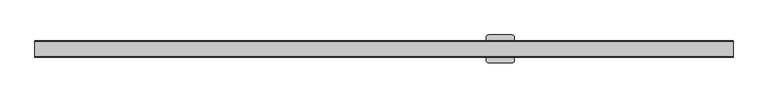
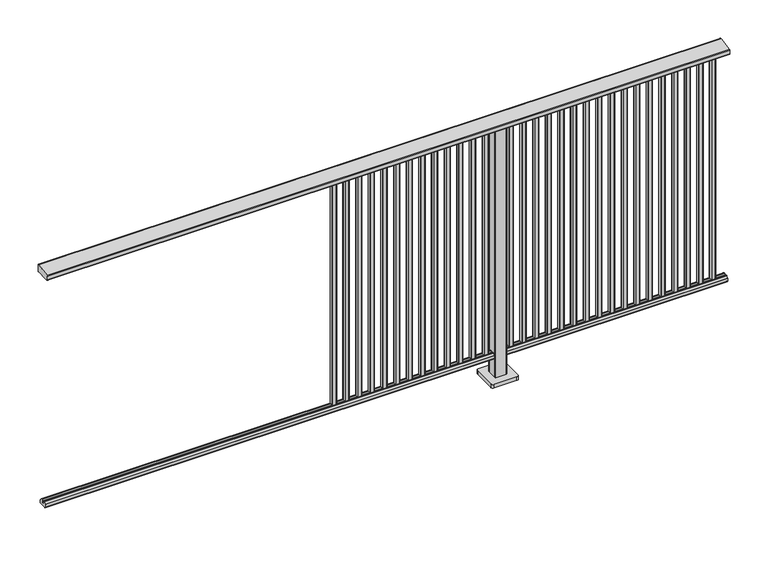
"""IFC4 building model written with IfcOpenShell, lengths in millimetres: railing geometry."""

from ifc_helpers import new_model, si_unit, point, frame, frame_2d, origin, origin_with_axes, place, context, project, spatial, polyline, circle_curve, trimmed, segment, composite_curve, outline, extrude, source, transform, mapped, element, save


def railing_8d30745b(model_context):
    return source(origin(), model_context, "Body", "SweptSolid", [
        extrude(outline(composite_curve([segment(trimmed(circle_curve(frame_2d((10337.8594975, 1197.0)), 3.0), [point((10337.338553, 1199.9544233))], [point((10340.8594975, 1197.0))], False, "CARTESIAN"), True, "CONTINUOUS"), segment(polyline([(10340.8594975, 1197.0), (10340.8594975, 1169.2)]), True, "CONTINUOUS"), segment(trimmed(circle_curve(frame_2d((10337.8594975, 1169.2)), 3.0), [point((10340.8594975, 1169.2))], [point((10337.8594975, 1166.2))], False, "CARTESIAN"), True, "CONTINUOUS"), segment(polyline([(10337.8594975, 1166.2), (10314.1783618, 1166.2)]), True, "CONTINUOUS"), segment(trimmed(circle_curve(frame_2d((10305.851515, 1183.2818957)), 19.003356), [point((10314.1783618, 1166.2))], [point((10297.5246681, 1166.2))], False, "CARTESIAN"), True, "CONTINUOUS"), segment(polyline([(10297.5246681, 1166.2), (10273.8594975, 1166.2)]), True, "CONTINUOUS"), segment(trimmed(circle_curve(frame_2d((10273.8594975, 1169.2)), 3.0), [point((10273.8594975, 1166.2))], [point((10270.8594975, 1169.2))], False, "CARTESIAN"), True, "CONTINUOUS"), segment(polyline([(10270.8594975, 1169.2), (10270.8594975, 1185.7150732)]), True, "CONTINUOUS"), segment(trimmed(circle_curve(frame_2d((10273.8594975, 1185.7150732)), 3.0), [point((10270.8594975, 1185.7150732))], [point((10273.338553, 1188.6694965))], False, "CARTESIAN"), True, "CONTINUOUS"), segment(polyline([(10273.338553, 1188.6694965), (10337.338553, 1199.9544233)]), True, "CONTINUOUS")], self_intersect=False)), frame((3731.3946925, 0.0, 0.0), z_axis=(1.0, 0.0, 0.0), x_axis=(0.0, 1.0, 0.0)), (0.0, 0.0, 1.0), 3000.0),
        extrude(outline(composite_curve([segment(trimmed(circle_curve(frame_2d((10290.1507946, 101.8)), 1.8), [point((10290.1507946, 100.0))], [point((10288.3507946, 101.8))], False, "CARTESIAN"), True, "CONTINUOUS"), segment(polyline([(10288.3507946, 101.8), (10288.3507946, 115.5269955)]), True, "CONTINUOUS"), segment(trimmed(circle_curve(frame_2d((10290.1507946, 115.5269955)), 1.8), [point((10288.3507946, 115.5269955))], [point((10288.7923377, 116.7079252))], False, "CARTESIAN"), True, "CONTINUOUS"), segment(polyline([(10288.7923377, 116.7079252), (10295.4626112, 124.3809297)]), True, "CONTINUOUS"), segment(trimmed(circle_curve(frame_2d((10296.8210681, 123.2)), 1.8), [point((10295.4626112, 124.3809297))], [point((10296.8210681, 125.0))], False, "CARTESIAN"), True, "CONTINUOUS"), segment(polyline([(10296.8210681, 125.0), (10300.5111103, 125.0), (10301.809167, 113.0), (10309.8924651, 113.0), (10311.1904968, 125.0), (10314.880515, 125.0)]), True, "CONTINUOUS"), segment(trimmed(circle_curve(frame_2d((10314.880515, 123.2)), 1.8), [point((10314.880515, 125.0))], [point((10316.2389697, 124.3809322))], False, "CARTESIAN"), True, "CONTINUOUS"), segment(polyline([(10316.2389697, 124.3809322), (10322.9092682, 116.7079277)]), True, "CONTINUOUS"), segment(trimmed(circle_curve(frame_2d((10321.5508136, 115.5269955)), 1.8), [point((10322.9092682, 116.7079277))], [point((10323.3508136, 115.5269955))], False, "CARTESIAN"), True, "CONTINUOUS"), segment(polyline([(10323.3508136, 115.5269955), (10323.3508136, 101.8)]), True, "CONTINUOUS"), segment(trimmed(circle_curve(frame_2d((10321.5508136, 101.8)), 1.8), [point((10323.3508136, 101.8))], [point((10321.5508136, 100.0))], False, "CARTESIAN"), True, "CONTINUOUS"), segment(polyline([(10321.5508136, 100.0), (10290.1507946, 100.0)]), True, "CONTINUOUS")], self_intersect=False)), frame((3731.3946925, 0.0, 0.0), z_axis=(1.0, 0.0, 0.0), x_axis=(0.0, 1.0, 0.0)), (0.0, 0.0, 1.0), 3000.0),
        extrude(outline(composite_curve([segment(polyline([(6666.8391355, 10298.2507846), (6666.8391355, 10313.4508236)]), True, "CONTINUOUS"), segment(trimmed(circle_curve(frame_2d((6668.2391355, 10313.4508236)), 1.4), [point((6666.8391355, 10313.4508236))], [point((6668.2391355, 10314.8508236))], False, "CARTESIAN"), True, "CONTINUOUS"), segment(polyline([(6668.2391355, 10314.8508236), (6683.4391385, 10314.8508236)]), True, "CONTINUOUS"), segment(trimmed(circle_curve(frame_2d((6683.4391385, 10313.4508236)), 1.4), [point((6683.4391385, 10314.8508236))], [point((6684.8391385, 10313.4508236))], False, "CARTESIAN"), True, "CONTINUOUS"), segment(polyline([(6684.8391385, 10313.4508236), (6684.8391385, 10298.2507846)]), True, "CONTINUOUS"), segment(trimmed(circle_curve(frame_2d((6683.4391385, 10298.2507846)), 1.4), [point((6684.8391385, 10298.2507846))], [point((6683.4391385, 10296.8507846))], False, "CARTESIAN"), True, "CONTINUOUS"), segment(polyline([(6683.4391385, 10296.8507846), (6668.2391355, 10296.8507846)]), True, "CONTINUOUS"), segment(trimmed(circle_curve(frame_2d((6668.2391355, 10298.2507846)), 1.4), [point((6668.2391355, 10296.8507846))], [point((6666.8391355, 10298.2507846))], False, "CARTESIAN"), True, "CONTINUOUS")], self_intersect=False)), frame((0.0, 0.0, 125.0), z_axis=(0.0, 0.0, 1.0), x_axis=(1.0, 0.0, 0.0)), (0.0, 0.0, 1.0), 1039.2785397),
        extrude(outline(composite_curve([segment(polyline([(6611.2835799, 10298.2507846), (6611.2835799, 10313.4508236)]), True, "CONTINUOUS"), segment(trimmed(circle_curve(frame_2d((6612.6835799, 10313.4508236)), 1.4), [point((6611.2835799, 10313.4508236))], [point((6612.6835799, 10314.8508236))], False, "CARTESIAN"), True, "CONTINUOUS"), segment(polyline([(6612.6835799, 10314.8508236), (6627.8835829, 10314.8508236)]), True, "CONTINUOUS"), segment(trimmed(circle_curve(frame_2d((6627.8835829, 10313.4508236)), 1.4), [point((6627.8835829, 10314.8508236))], [point((6629.2835829, 10313.4508236))], False, "CARTESIAN"), True, "CONTINUOUS"), segment(polyline([(6629.2835829, 10313.4508236), (6629.2835829, 10298.2507846)]), True, "CONTINUOUS"), segment(trimmed(circle_curve(frame_2d((6627.8835829, 10298.2507846)), 1.4), [point((6629.2835829, 10298.2507846))], [point((6627.8835829, 10296.8507846))], False, "CARTESIAN"), True, "CONTINUOUS"), segment(polyline([(6627.8835829, 10296.8507846), (6612.6835799, 10296.8507846)]), True, "CONTINUOUS"), segment(trimmed(circle_curve(frame_2d((6612.6835799, 10298.2507846)), 1.4), [point((6612.6835799, 10296.8507846))], [point((6611.2835799, 10298.2507846))], False, "CARTESIAN"), True, "CONTINUOUS")], self_intersect=False)), frame((0.0, 0.0, 125.0), z_axis=(0.0, 0.0, 1.0), x_axis=(1.0, 0.0, 0.0)), (0.0, 0.0, 1.0), 1039.2785397),
        extrude(outline(composite_curve([segment(polyline([(6555.7280244, 10298.2507846), (6555.7280244, 10313.4508236)]), True, "CONTINUOUS"), segment(trimmed(circle_curve(frame_2d((6557.1280244, 10313.4508236)), 1.4), [point((6555.7280244, 10313.4508236))], [point((6557.1280244, 10314.8508236))], False, "CARTESIAN"), True, "CONTINUOUS"), segment(polyline([(6557.1280244, 10314.8508236), (6572.3280274, 10314.8508236)]), True, "CONTINUOUS"), segment(trimmed(circle_curve(frame_2d((6572.3280274, 10313.4508236)), 1.4), [point((6572.3280274, 10314.8508236))], [point((6573.7280274, 10313.4508236))], False, "CARTESIAN"), True, "CONTINUOUS"), segment(polyline([(6573.7280274, 10313.4508236), (6573.7280274, 10298.2507846)]), True, "CONTINUOUS"), segment(trimmed(circle_curve(frame_2d((6572.3280274, 10298.2507846)), 1.4), [point((6573.7280274, 10298.2507846))], [point((6572.3280274, 10296.8507846))], False, "CARTESIAN"), True, "CONTINUOUS"), segment(polyline([(6572.3280274, 10296.8507846), (6557.1280244, 10296.8507846)]), True, "CONTINUOUS"), segment(trimmed(circle_curve(frame_2d((6557.1280244, 10298.2507846)), 1.4), [point((6557.1280244, 10296.8507846))], [point((6555.7280244, 10298.2507846))], False, "CARTESIAN"), True, "CONTINUOUS")], self_intersect=False)), frame((0.0, 0.0, 125.0), z_axis=(0.0, 0.0, 1.0), x_axis=(1.0, 0.0, 0.0)), (0.0, 0.0, 1.0), 1039.2785397),
        extrude(outline(composite_curve([segment(polyline([(6500.1724688, 10298.2507846), (6500.1724688, 10313.4508236)]), True, "CONTINUOUS"), segment(trimmed(circle_curve(frame_2d((6501.5724688, 10313.4508236)), 1.4), [point((6500.1724688, 10313.4508236))], [point((6501.5724688, 10314.8508236))], False, "CARTESIAN"), True, "CONTINUOUS"), segment(polyline([(6501.5724688, 10314.8508236), (6516.7724718, 10314.8508236)]), True, "CONTINUOUS"), segment(trimmed(circle_curve(frame_2d((6516.7724718, 10313.4508236)), 1.4), [point((6516.7724718, 10314.8508236))], [point((6518.1724718, 10313.4508236))], False, "CARTESIAN"), True, "CONTINUOUS"), segment(polyline([(6518.1724718, 10313.4508236), (6518.1724718, 10298.2507846)]), True, "CONTINUOUS"), segment(trimmed(circle_curve(frame_2d((6516.7724718, 10298.2507846)), 1.4), [point((6518.1724718, 10298.2507846))], [point((6516.7724718, 10296.8507846))], False, "CARTESIAN"), True, "CONTINUOUS"), segment(polyline([(6516.7724718, 10296.8507846), (6501.5724688, 10296.8507846)]), True, "CONTINUOUS"), segment(trimmed(circle_curve(frame_2d((6501.5724688, 10298.2507846)), 1.4), [point((6501.5724688, 10296.8507846))], [point((6500.1724688, 10298.2507846))], False, "CARTESIAN"), True, "CONTINUOUS")], self_intersect=False)), frame((0.0, 0.0, 125.0), z_axis=(0.0, 0.0, 1.0), x_axis=(1.0, 0.0, 0.0)), (0.0, 0.0, 1.0), 1039.2785397),
        extrude(outline(composite_curve([segment(polyline([(6444.6169133, 10298.2507846), (6444.6169133, 10313.4508236)]), True, "CONTINUOUS"), segment(trimmed(circle_curve(frame_2d((6446.0169133, 10313.4508236)), 1.4), [point((6444.6169133, 10313.4508236))], [point((6446.0169133, 10314.8508236))], False, "CARTESIAN"), True, "CONTINUOUS"), segment(polyline([(6446.0169133, 10314.8508236), (6461.2169163, 10314.8508236)]), True, "CONTINUOUS"), segment(trimmed(circle_curve(frame_2d((6461.2169163, 10313.4508236)), 1.4), [point((6461.2169163, 10314.8508236))], [point((6462.6169163, 10313.4508236))], False, "CARTESIAN"), True, "CONTINUOUS"), segment(polyline([(6462.6169163, 10313.4508236), (6462.6169163, 10298.2507846)]), True, "CONTINUOUS"), segment(trimmed(circle_curve(frame_2d((6461.2169163, 10298.2507846)), 1.4), [point((6462.6169163, 10298.2507846))], [point((6461.2169163, 10296.8507846))], False, "CARTESIAN"), True, "CONTINUOUS"), segment(polyline([(6461.2169163, 10296.8507846), (6446.0169133, 10296.8507846)]), True, "CONTINUOUS"), segment(trimmed(circle_curve(frame_2d((6446.0169133, 10298.2507846)), 1.4), [point((6446.0169133, 10296.8507846))], [point((6444.6169133, 10298.2507846))], False, "CARTESIAN"), True, "CONTINUOUS")], self_intersect=False)), frame((0.0, 0.0, 125.0), z_axis=(0.0, 0.0, 1.0), x_axis=(1.0, 0.0, 0.0)), (0.0, 0.0, 1.0), 1039.2785397),
        extrude(outline(composite_curve([segment(polyline([(6389.0613577, 10298.2507846), (6389.0613577, 10313.4508236)]), True, "CONTINUOUS"), segment(trimmed(circle_curve(frame_2d((6390.4613577, 10313.4508236)), 1.4), [point((6389.0613577, 10313.4508236))], [point((6390.4613577, 10314.8508236))], False, "CARTESIAN"), True, "CONTINUOUS"), segment(polyline([(6390.4613577, 10314.8508236), (6405.6613607, 10314.8508236)]), True, "CONTINUOUS"), segment(trimmed(circle_curve(frame_2d((6405.6613607, 10313.4508236)), 1.4), [point((6405.6613607, 10314.8508236))], [point((6407.0613607, 10313.4508236))], False, "CARTESIAN"), True, "CONTINUOUS"), segment(polyline([(6407.0613607, 10313.4508236), (6407.0613607, 10298.2507846)]), True, "CONTINUOUS"), segment(trimmed(circle_curve(frame_2d((6405.6613607, 10298.2507846)), 1.4), [point((6407.0613607, 10298.2507846))], [point((6405.6613607, 10296.8507846))], False, "CARTESIAN"), True, "CONTINUOUS"), segment(polyline([(6405.6613607, 10296.8507846), (6390.4613577, 10296.8507846)]), True, "CONTINUOUS"), segment(trimmed(circle_curve(frame_2d((6390.4613577, 10298.2507846)), 1.4), [point((6390.4613577, 10296.8507846))], [point((6389.0613577, 10298.2507846))], False, "CARTESIAN"), True, "CONTINUOUS")], self_intersect=False)), frame((0.0, 0.0, 125.0), z_axis=(0.0, 0.0, 1.0), x_axis=(1.0, 0.0, 0.0)), (0.0, 0.0, 1.0), 1039.2785397),
        extrude(outline(composite_curve([segment(polyline([(6333.5058021, 10298.2507846), (6333.5058021, 10313.4508236)]), True, "CONTINUOUS"), segment(trimmed(circle_curve(frame_2d((6334.9058021, 10313.4508236)), 1.4), [point((6333.5058021, 10313.4508236))], [point((6334.9058021, 10314.8508236))], False, "CARTESIAN"), True, "CONTINUOUS"), segment(polyline([(6334.9058021, 10314.8508236), (6350.1058051, 10314.8508236)]), True, "CONTINUOUS"), segment(trimmed(circle_curve(frame_2d((6350.1058051, 10313.4508236)), 1.4), [point((6350.1058051, 10314.8508236))], [point((6351.5058051, 10313.4508236))], False, "CARTESIAN"), True, "CONTINUOUS"), segment(polyline([(6351.5058051, 10313.4508236), (6351.5058051, 10298.2507846)]), True, "CONTINUOUS"), segment(trimmed(circle_curve(frame_2d((6350.1058051, 10298.2507846)), 1.4), [point((6351.5058051, 10298.2507846))], [point((6350.1058051, 10296.8507846))], False, "CARTESIAN"), True, "CONTINUOUS"), segment(polyline([(6350.1058051, 10296.8507846), (6334.9058021, 10296.8507846)]), True, "CONTINUOUS"), segment(trimmed(circle_curve(frame_2d((6334.9058021, 10298.2507846)), 1.4), [point((6334.9058021, 10296.8507846))], [point((6333.5058021, 10298.2507846))], False, "CARTESIAN"), True, "CONTINUOUS")], self_intersect=False)), frame((0.0, 0.0, 125.0), z_axis=(0.0, 0.0, 1.0), x_axis=(1.0, 0.0, 0.0)), (0.0, 0.0, 1.0), 1039.2785397),
        extrude(outline(composite_curve([segment(polyline([(6277.9502466, 10298.2507846), (6277.9502466, 10313.4508236)]), True, "CONTINUOUS"), segment(trimmed(circle_curve(frame_2d((6279.3502466, 10313.4508236)), 1.4), [point((6277.9502466, 10313.4508236))], [point((6279.3502466, 10314.8508236))], False, "CARTESIAN"), True, "CONTINUOUS"), segment(polyline([(6279.3502466, 10314.8508236), (6294.5502496, 10314.8508236)]), True, "CONTINUOUS"), segment(trimmed(circle_curve(frame_2d((6294.5502496, 10313.4508236)), 1.4), [point((6294.5502496, 10314.8508236))], [point((6295.9502496, 10313.4508236))], False, "CARTESIAN"), True, "CONTINUOUS"), segment(polyline([(6295.9502496, 10313.4508236), (6295.9502496, 10298.2507846)]), True, "CONTINUOUS"), segment(trimmed(circle_curve(frame_2d((6294.5502496, 10298.2507846)), 1.4), [point((6295.9502496, 10298.2507846))], [point((6294.5502496, 10296.8507846))], False, "CARTESIAN"), True, "CONTINUOUS"), segment(polyline([(6294.5502496, 10296.8507846), (6279.3502466, 10296.8507846)]), True, "CONTINUOUS"), segment(trimmed(circle_curve(frame_2d((6279.3502466, 10298.2507846)), 1.4), [point((6279.3502466, 10296.8507846))], [point((6277.9502466, 10298.2507846))], False, "CARTESIAN"), True, "CONTINUOUS")], self_intersect=False)), frame((0.0, 0.0, 125.0), z_axis=(0.0, 0.0, 1.0), x_axis=(1.0, 0.0, 0.0)), (0.0, 0.0, 1.0), 1039.2785397),
        extrude(outline(composite_curve([segment(polyline([(6222.394691, 10298.2507846), (6222.394691, 10313.4508236)]), True, "CONTINUOUS"), segment(trimmed(circle_curve(frame_2d((6223.794691, 10313.4508236)), 1.4), [point((6222.394691, 10313.4508236))], [point((6223.794691, 10314.8508236))], False, "CARTESIAN"), True, "CONTINUOUS"), segment(polyline([(6223.794691, 10314.8508236), (6238.994694, 10314.8508236)]), True, "CONTINUOUS"), segment(trimmed(circle_curve(frame_2d((6238.994694, 10313.4508236)), 1.4), [point((6238.994694, 10314.8508236))], [point((6240.394694, 10313.4508236))], False, "CARTESIAN"), True, "CONTINUOUS"), segment(polyline([(6240.394694, 10313.4508236), (6240.394694, 10298.2507846)]), True, "CONTINUOUS"), segment(trimmed(circle_curve(frame_2d((6238.994694, 10298.2507846)), 1.4), [point((6240.394694, 10298.2507846))], [point((6238.994694, 10296.8507846))], False, "CARTESIAN"), True, "CONTINUOUS"), segment(polyline([(6238.994694, 10296.8507846), (6223.794691, 10296.8507846)]), True, "CONTINUOUS"), segment(trimmed(circle_curve(frame_2d((6223.794691, 10298.2507846)), 1.4), [point((6223.794691, 10296.8507846))], [point((6222.394691, 10298.2507846))], False, "CARTESIAN"), True, "CONTINUOUS")], self_intersect=False)), frame((0.0, 0.0, 125.0), z_axis=(0.0, 0.0, 1.0), x_axis=(1.0, 0.0, 0.0)), (0.0, 0.0, 1.0), 1039.2785397),
        extrude(outline(composite_curve([segment(polyline([(6166.8391355, 10298.2507846), (6166.8391355, 10313.4508236)]), True, "CONTINUOUS"), segment(trimmed(circle_curve(frame_2d((6168.2391355, 10313.4508236)), 1.4), [point((6166.8391355, 10313.4508236))], [point((6168.2391355, 10314.8508236))], False, "CARTESIAN"), True, "CONTINUOUS"), segment(polyline([(6168.2391355, 10314.8508236), (6183.4391385, 10314.8508236)]), True, "CONTINUOUS"), segment(trimmed(circle_curve(frame_2d((6183.4391385, 10313.4508236)), 1.4), [point((6183.4391385, 10314.8508236))], [point((6184.8391385, 10313.4508236))], False, "CARTESIAN"), True, "CONTINUOUS"), segment(polyline([(6184.8391385, 10313.4508236), (6184.8391385, 10298.2507846)]), True, "CONTINUOUS"), segment(trimmed(circle_curve(frame_2d((6183.4391385, 10298.2507846)), 1.4), [point((6184.8391385, 10298.2507846))], [point((6183.4391385, 10296.8507846))], False, "CARTESIAN"), True, "CONTINUOUS"), segment(polyline([(6183.4391385, 10296.8507846), (6168.2391355, 10296.8507846)]), True, "CONTINUOUS"), segment(trimmed(circle_curve(frame_2d((6168.2391355, 10298.2507846)), 1.4), [point((6168.2391355, 10296.8507846))], [point((6166.8391355, 10298.2507846))], False, "CARTESIAN"), True, "CONTINUOUS")], self_intersect=False)), frame((0.0, 0.0, 125.0), z_axis=(0.0, 0.0, 1.0), x_axis=(1.0, 0.0, 0.0)), (0.0, 0.0, 1.0), 1039.2785397),
        extrude(outline(composite_curve([segment(polyline([(6111.2835799, 10298.2507846), (6111.2835799, 10313.4508236)]), True, "CONTINUOUS"), segment(trimmed(circle_curve(frame_2d((6112.6835799, 10313.4508236)), 1.4), [point((6111.2835799, 10313.4508236))], [point((6112.6835799, 10314.8508236))], False, "CARTESIAN"), True, "CONTINUOUS"), segment(polyline([(6112.6835799, 10314.8508236), (6127.8835829, 10314.8508236)]), True, "CONTINUOUS"), segment(trimmed(circle_curve(frame_2d((6127.8835829, 10313.4508236)), 1.4), [point((6127.8835829, 10314.8508236))], [point((6129.2835829, 10313.4508236))], False, "CARTESIAN"), True, "CONTINUOUS"), segment(polyline([(6129.2835829, 10313.4508236), (6129.2835829, 10298.2507846)]), True, "CONTINUOUS"), segment(trimmed(circle_curve(frame_2d((6127.8835829, 10298.2507846)), 1.4), [point((6129.2835829, 10298.2507846))], [point((6127.8835829, 10296.8507846))], False, "CARTESIAN"), True, "CONTINUOUS"), segment(polyline([(6127.8835829, 10296.8507846), (6112.6835799, 10296.8507846)]), True, "CONTINUOUS"), segment(trimmed(circle_curve(frame_2d((6112.6835799, 10298.2507846)), 1.4), [point((6112.6835799, 10296.8507846))], [point((6111.2835799, 10298.2507846))], False, "CARTESIAN"), True, "CONTINUOUS")], self_intersect=False)), frame((0.0, 0.0, 125.0), z_axis=(0.0, 0.0, 1.0), x_axis=(1.0, 0.0, 0.0)), (0.0, 0.0, 1.0), 1039.2785397),
        extrude(outline(composite_curve([segment(polyline([(6055.7280244, 10298.2507846), (6055.7280244, 10313.4508236)]), True, "CONTINUOUS"), segment(trimmed(circle_curve(frame_2d((6057.1280244, 10313.4508236)), 1.4), [point((6055.7280244, 10313.4508236))], [point((6057.1280244, 10314.8508236))], False, "CARTESIAN"), True, "CONTINUOUS"), segment(polyline([(6057.1280244, 10314.8508236), (6072.3280274, 10314.8508236)]), True, "CONTINUOUS"), segment(trimmed(circle_curve(frame_2d((6072.3280274, 10313.4508236)), 1.4), [point((6072.3280274, 10314.8508236))], [point((6073.7280274, 10313.4508236))], False, "CARTESIAN"), True, "CONTINUOUS"), segment(polyline([(6073.7280274, 10313.4508236), (6073.7280274, 10298.2507846)]), True, "CONTINUOUS"), segment(trimmed(circle_curve(frame_2d((6072.3280274, 10298.2507846)), 1.4), [point((6073.7280274, 10298.2507846))], [point((6072.3280274, 10296.8507846))], False, "CARTESIAN"), True, "CONTINUOUS"), segment(polyline([(6072.3280274, 10296.8507846), (6057.1280244, 10296.8507846)]), True, "CONTINUOUS"), segment(trimmed(circle_curve(frame_2d((6057.1280244, 10298.2507846)), 1.4), [point((6057.1280244, 10296.8507846))], [point((6055.7280244, 10298.2507846))], False, "CARTESIAN"), True, "CONTINUOUS")], self_intersect=False)), frame((0.0, 0.0, 125.0), z_axis=(0.0, 0.0, 1.0), x_axis=(1.0, 0.0, 0.0)), (0.0, 0.0, 1.0), 1039.2785397),
        extrude(outline(composite_curve([segment(polyline([(6000.1724688, 10298.2507846), (6000.1724688, 10313.4508236)]), True, "CONTINUOUS"), segment(trimmed(circle_curve(frame_2d((6001.5724688, 10313.4508236)), 1.4), [point((6000.1724688, 10313.4508236))], [point((6001.5724688, 10314.8508236))], False, "CARTESIAN"), True, "CONTINUOUS"), segment(polyline([(6001.5724688, 10314.8508236), (6016.7724718, 10314.8508236)]), True, "CONTINUOUS"), segment(trimmed(circle_curve(frame_2d((6016.7724718, 10313.4508236)), 1.4), [point((6016.7724718, 10314.8508236))], [point((6018.1724718, 10313.4508236))], False, "CARTESIAN"), True, "CONTINUOUS"), segment(polyline([(6018.1724718, 10313.4508236), (6018.1724718, 10298.2507846)]), True, "CONTINUOUS"), segment(trimmed(circle_curve(frame_2d((6016.7724718, 10298.2507846)), 1.4), [point((6018.1724718, 10298.2507846))], [point((6016.7724718, 10296.8507846))], False, "CARTESIAN"), True, "CONTINUOUS"), segment(polyline([(6016.7724718, 10296.8507846), (6001.5724688, 10296.8507846)]), True, "CONTINUOUS"), segment(trimmed(circle_curve(frame_2d((6001.5724688, 10298.2507846)), 1.4), [point((6001.5724688, 10296.8507846))], [point((6000.1724688, 10298.2507846))], False, "CARTESIAN"), True, "CONTINUOUS")], self_intersect=False)), frame((0.0, 0.0, 125.0), z_axis=(0.0, 0.0, 1.0), x_axis=(1.0, 0.0, 0.0)), (0.0, 0.0, 1.0), 1039.2785397),
        extrude(outline(composite_curve([segment(polyline([(5944.6169133, 10298.2507846), (5944.6169133, 10313.4508236)]), True, "CONTINUOUS"), segment(trimmed(circle_curve(frame_2d((5946.0169133, 10313.4508236)), 1.4), [point((5944.6169133, 10313.4508236))], [point((5946.0169133, 10314.8508236))], False, "CARTESIAN"), True, "CONTINUOUS"), segment(polyline([(5946.0169133, 10314.8508236), (5961.2169163, 10314.8508236)]), True, "CONTINUOUS"), segment(trimmed(circle_curve(frame_2d((5961.2169163, 10313.4508236)), 1.4), [point((5961.2169163, 10314.8508236))], [point((5962.6169163, 10313.4508236))], False, "CARTESIAN"), True, "CONTINUOUS"), segment(polyline([(5962.6169163, 10313.4508236), (5962.6169163, 10298.2507846)]), True, "CONTINUOUS"), segment(trimmed(circle_curve(frame_2d((5961.2169163, 10298.2507846)), 1.4), [point((5962.6169163, 10298.2507846))], [point((5961.2169163, 10296.8507846))], False, "CARTESIAN"), True, "CONTINUOUS"), segment(polyline([(5961.2169163, 10296.8507846), (5946.0169133, 10296.8507846)]), True, "CONTINUOUS"), segment(trimmed(circle_curve(frame_2d((5946.0169133, 10298.2507846)), 1.4), [point((5946.0169133, 10296.8507846))], [point((5944.6169133, 10298.2507846))], False, "CARTESIAN"), True, "CONTINUOUS")], self_intersect=False)), frame((0.0, 0.0, 125.0), z_axis=(0.0, 0.0, 1.0), x_axis=(1.0, 0.0, 0.0)), (0.0, 0.0, 1.0), 1039.2785397),
        extrude(outline(composite_curve([segment(polyline([(5889.0613577, 10298.2507846), (5889.0613577, 10313.4508236)]), True, "CONTINUOUS"), segment(trimmed(circle_curve(frame_2d((5890.4613577, 10313.4508236)), 1.4), [point((5889.0613577, 10313.4508236))], [point((5890.4613577, 10314.8508236))], False, "CARTESIAN"), True, "CONTINUOUS"), segment(polyline([(5890.4613577, 10314.8508236), (5905.6613607, 10314.8508236)]), True, "CONTINUOUS"), segment(trimmed(circle_curve(frame_2d((5905.6613607, 10313.4508236)), 1.4), [point((5905.6613607, 10314.8508236))], [point((5907.0613607, 10313.4508236))], False, "CARTESIAN"), True, "CONTINUOUS"), segment(polyline([(5907.0613607, 10313.4508236), (5907.0613607, 10298.2507846)]), True, "CONTINUOUS"), segment(trimmed(circle_curve(frame_2d((5905.6613607, 10298.2507846)), 1.4), [point((5907.0613607, 10298.2507846))], [point((5905.6613607, 10296.8507846))], False, "CARTESIAN"), True, "CONTINUOUS"), segment(polyline([(5905.6613607, 10296.8507846), (5890.4613577, 10296.8507846)]), True, "CONTINUOUS"), segment(trimmed(circle_curve(frame_2d((5890.4613577, 10298.2507846)), 1.4), [point((5890.4613577, 10296.8507846))], [point((5889.0613577, 10298.2507846))], False, "CARTESIAN"), True, "CONTINUOUS")], self_intersect=False)), frame((0.0, 0.0, 125.0), z_axis=(0.0, 0.0, 1.0), x_axis=(1.0, 0.0, 0.0)), (0.0, 0.0, 1.0), 1039.2785397),
        extrude(outline(composite_curve([segment(polyline([(5833.5058021, 10298.2507846), (5833.5058021, 10313.4508236)]), True, "CONTINUOUS"), segment(trimmed(circle_curve(frame_2d((5834.9058021, 10313.4508236)), 1.4), [point((5833.5058021, 10313.4508236))], [point((5834.9058021, 10314.8508236))], False, "CARTESIAN"), True, "CONTINUOUS"), segment(polyline([(5834.9058021, 10314.8508236), (5850.1058051, 10314.8508236)]), True, "CONTINUOUS"), segment(trimmed(circle_curve(frame_2d((5850.1058051, 10313.4508236)), 1.4), [point((5850.1058051, 10314.8508236))], [point((5851.5058051, 10313.4508236))], False, "CARTESIAN"), True, "CONTINUOUS"), segment(polyline([(5851.5058051, 10313.4508236), (5851.5058051, 10298.2507846)]), True, "CONTINUOUS"), segment(trimmed(circle_curve(frame_2d((5850.1058051, 10298.2507846)), 1.4), [point((5851.5058051, 10298.2507846))], [point((5850.1058051, 10296.8507846))], False, "CARTESIAN"), True, "CONTINUOUS"), segment(polyline([(5850.1058051, 10296.8507846), (5834.9058021, 10296.8507846)]), True, "CONTINUOUS"), segment(trimmed(circle_curve(frame_2d((5834.9058021, 10298.2507846)), 1.4), [point((5834.9058021, 10296.8507846))], [point((5833.5058021, 10298.2507846))], False, "CARTESIAN"), True, "CONTINUOUS")], self_intersect=False)), frame((0.0, 0.0, 125.0), z_axis=(0.0, 0.0, 1.0), x_axis=(1.0, 0.0, 0.0)), (0.0, 0.0, 1.0), 1039.2785397),
        extrude(outline(composite_curve([segment(polyline([(5777.9502466, 10298.2507846), (5777.9502466, 10313.4508236)]), True, "CONTINUOUS"), segment(trimmed(circle_curve(frame_2d((5779.3502466, 10313.4508236)), 1.4), [point((5777.9502466, 10313.4508236))], [point((5779.3502466, 10314.8508236))], False, "CARTESIAN"), True, "CONTINUOUS"), segment(polyline([(5779.3502466, 10314.8508236), (5794.5502496, 10314.8508236)]), True, "CONTINUOUS"), segment(trimmed(circle_curve(frame_2d((5794.5502496, 10313.4508236)), 1.4), [point((5794.5502496, 10314.8508236))], [point((5795.9502496, 10313.4508236))], False, "CARTESIAN"), True, "CONTINUOUS"), segment(polyline([(5795.9502496, 10313.4508236), (5795.9502496, 10298.2507846)]), True, "CONTINUOUS"), segment(trimmed(circle_curve(frame_2d((5794.5502496, 10298.2507846)), 1.4), [point((5795.9502496, 10298.2507846))], [point((5794.5502496, 10296.8507846))], False, "CARTESIAN"), True, "CONTINUOUS"), segment(polyline([(5794.5502496, 10296.8507846), (5779.3502466, 10296.8507846)]), True, "CONTINUOUS"), segment(trimmed(circle_curve(frame_2d((5779.3502466, 10298.2507846)), 1.4), [point((5779.3502466, 10296.8507846))], [point((5777.9502466, 10298.2507846))], False, "CARTESIAN"), True, "CONTINUOUS")], self_intersect=False)), frame((0.0, 0.0, 125.0), z_axis=(0.0, 0.0, 1.0), x_axis=(1.0, 0.0, 0.0)), (0.0, 0.0, 1.0), 1039.2785397),
        extrude(outline(composite_curve([segment(polyline([(5705.994681, 10283.4507816), (5705.994681, 10328.2508046)]), True, "CONTINUOUS"), segment(trimmed(circle_curve(frame_2d((5708.994681, 10328.2508046)), 3.0), [point((5705.994681, 10328.2508046))], [point((5708.994681, 10331.2508046))], False, "CARTESIAN"), True, "CONTINUOUS"), segment(polyline([(5708.994681, 10331.2508046), (5753.794704, 10331.2508046)]), True, "CONTINUOUS"), segment(trimmed(circle_curve(frame_2d((5753.794704, 10328.2508046)), 3.0), [point((5753.794704, 10331.2508046))], [point((5756.794704, 10328.2508046))], False, "CARTESIAN"), True, "CONTINUOUS"), segment(polyline([(5756.794704, 10328.2508046), (5756.794704, 10283.4507816)]), True, "CONTINUOUS"), segment(trimmed(circle_curve(frame_2d((5753.794704, 10283.4507816)), 3.0), [point((5756.794704, 10283.4507816))], [point((5753.794704, 10280.4507816))], False, "CARTESIAN"), True, "CONTINUOUS"), segment(polyline([(5753.794704, 10280.4507816), (5708.994681, 10280.4507816)]), True, "CONTINUOUS"), segment(trimmed(circle_curve(frame_2d((5708.994681, 10283.4507816)), 3.0), [point((5708.994681, 10280.4507816))], [point((5705.994681, 10283.4507816))], False, "CARTESIAN"), True, "CONTINUOUS")], self_intersect=False)), frame((0.0, 0.0, 16.0), z_axis=(0.0, 0.0, 1.0), x_axis=(1.0, 0.0, 0.0)), (0.0, 0.0, 1.0), 1148.2785397),
        extrude(outline(composite_curve([segment(polyline([(5671.394681, 10255.8507931), (5671.394681, 10355.8507931)]), True, "CONTINUOUS"), segment(trimmed(circle_curve(frame_2d((5681.394681, 10355.8507931)), 10.0), [point((5671.394681, 10355.8507931))], [point((5681.394681, 10365.8507931))], False, "CARTESIAN"), True, "CONTINUOUS"), segment(polyline([(5681.394681, 10365.8507931), (5781.394681, 10365.8507931)]), True, "CONTINUOUS"), segment(trimmed(circle_curve(frame_2d((5781.394681, 10355.8507931)), 10.0), [point((5781.394681, 10365.8507931))], [point((5791.394681, 10355.8507931))], False, "CARTESIAN"), True, "CONTINUOUS"), segment(polyline([(5791.394681, 10355.8507931), (5791.394681, 10255.8507931)]), True, "CONTINUOUS"), segment(trimmed(circle_curve(frame_2d((5781.394681, 10255.8507931)), 10.0), [point((5791.394681, 10255.8507931))], [point((5781.394681, 10245.8507931))], False, "CARTESIAN"), True, "CONTINUOUS"), segment(polyline([(5781.394681, 10245.8507931), (5681.394681, 10245.8507931)]), True, "CONTINUOUS"), segment(trimmed(circle_curve(frame_2d((5681.394681, 10255.8507931)), 10.0), [point((5681.394681, 10245.8507931))], [point((5671.394681, 10255.8507931))], False, "CARTESIAN"), True, "CONTINUOUS")], self_intersect=False)), origin_with_axes(), (0.0, 0.0, 1.0), 16.0),
        extrude(outline(composite_curve([segment(polyline([(5666.8391355, 10298.2507846), (5666.8391355, 10313.4508236)]), True, "CONTINUOUS"), segment(trimmed(circle_curve(frame_2d((5668.2391355, 10313.4508236)), 1.4), [point((5666.8391355, 10313.4508236))], [point((5668.2391355, 10314.8508236))], False, "CARTESIAN"), True, "CONTINUOUS"), segment(polyline([(5668.2391355, 10314.8508236), (5683.4391385, 10314.8508236)]), True, "CONTINUOUS"), segment(trimmed(circle_curve(frame_2d((5683.4391385, 10313.4508236)), 1.4), [point((5683.4391385, 10314.8508236))], [point((5684.8391385, 10313.4508236))], False, "CARTESIAN"), True, "CONTINUOUS"), segment(polyline([(5684.8391385, 10313.4508236), (5684.8391385, 10298.2507846)]), True, "CONTINUOUS"), segment(trimmed(circle_curve(frame_2d((5683.4391385, 10298.2507846)), 1.4), [point((5684.8391385, 10298.2507846))], [point((5683.4391385, 10296.8507846))], False, "CARTESIAN"), True, "CONTINUOUS"), segment(polyline([(5683.4391385, 10296.8507846), (5668.2391355, 10296.8507846)]), True, "CONTINUOUS"), segment(trimmed(circle_curve(frame_2d((5668.2391355, 10298.2507846)), 1.4), [point((5668.2391355, 10296.8507846))], [point((5666.8391355, 10298.2507846))], False, "CARTESIAN"), True, "CONTINUOUS")], self_intersect=False)), frame((0.0, 0.0, 125.0), z_axis=(0.0, 0.0, 1.0), x_axis=(1.0, 0.0, 0.0)), (0.0, 0.0, 1.0), 1039.2785397),
        extrude(outline(composite_curve([segment(polyline([(5611.2835799, 10298.2507846), (5611.2835799, 10313.4508236)]), True, "CONTINUOUS"), segment(trimmed(circle_curve(frame_2d((5612.6835799, 10313.4508236)), 1.4), [point((5611.2835799, 10313.4508236))], [point((5612.6835799, 10314.8508236))], False, "CARTESIAN"), True, "CONTINUOUS"), segment(polyline([(5612.6835799, 10314.8508236), (5627.8835829, 10314.8508236)]), True, "CONTINUOUS"), segment(trimmed(circle_curve(frame_2d((5627.8835829, 10313.4508236)), 1.4), [point((5627.8835829, 10314.8508236))], [point((5629.2835829, 10313.4508236))], False, "CARTESIAN"), True, "CONTINUOUS"), segment(polyline([(5629.2835829, 10313.4508236), (5629.2835829, 10298.2507846)]), True, "CONTINUOUS"), segment(trimmed(circle_curve(frame_2d((5627.8835829, 10298.2507846)), 1.4), [point((5629.2835829, 10298.2507846))], [point((5627.8835829, 10296.8507846))], False, "CARTESIAN"), True, "CONTINUOUS"), segment(polyline([(5627.8835829, 10296.8507846), (5612.6835799, 10296.8507846)]), True, "CONTINUOUS"), segment(trimmed(circle_curve(frame_2d((5612.6835799, 10298.2507846)), 1.4), [point((5612.6835799, 10296.8507846))], [point((5611.2835799, 10298.2507846))], False, "CARTESIAN"), True, "CONTINUOUS")], self_intersect=False)), frame((0.0, 0.0, 125.0), z_axis=(0.0, 0.0, 1.0), x_axis=(1.0, 0.0, 0.0)), (0.0, 0.0, 1.0), 1039.2785397),
        extrude(outline(composite_curve([segment(polyline([(5555.7280244, 10298.2507846), (5555.7280244, 10313.4508236)]), True, "CONTINUOUS"), segment(trimmed(circle_curve(frame_2d((5557.1280244, 10313.4508236)), 1.4), [point((5555.7280244, 10313.4508236))], [point((5557.1280244, 10314.8508236))], False, "CARTESIAN"), True, "CONTINUOUS"), segment(polyline([(5557.1280244, 10314.8508236), (5572.3280274, 10314.8508236)]), True, "CONTINUOUS"), segment(trimmed(circle_curve(frame_2d((5572.3280274, 10313.4508236)), 1.4), [point((5572.3280274, 10314.8508236))], [point((5573.7280274, 10313.4508236))], False, "CARTESIAN"), True, "CONTINUOUS"), segment(polyline([(5573.7280274, 10313.4508236), (5573.7280274, 10298.2507846)]), True, "CONTINUOUS"), segment(trimmed(circle_curve(frame_2d((5572.3280274, 10298.2507846)), 1.4), [point((5573.7280274, 10298.2507846))], [point((5572.3280274, 10296.8507846))], False, "CARTESIAN"), True, "CONTINUOUS"), segment(polyline([(5572.3280274, 10296.8507846), (5557.1280244, 10296.8507846)]), True, "CONTINUOUS"), segment(trimmed(circle_curve(frame_2d((5557.1280244, 10298.2507846)), 1.4), [point((5557.1280244, 10296.8507846))], [point((5555.7280244, 10298.2507846))], False, "CARTESIAN"), True, "CONTINUOUS")], self_intersect=False)), frame((0.0, 0.0, 125.0), z_axis=(0.0, 0.0, 1.0), x_axis=(1.0, 0.0, 0.0)), (0.0, 0.0, 1.0), 1039.2785397),
        extrude(outline(composite_curve([segment(polyline([(5500.1724688, 10298.2507846), (5500.1724688, 10313.4508236)]), True, "CONTINUOUS"), segment(trimmed(circle_curve(frame_2d((5501.5724688, 10313.4508236)), 1.4), [point((5500.1724688, 10313.4508236))], [point((5501.5724688, 10314.8508236))], False, "CARTESIAN"), True, "CONTINUOUS"), segment(polyline([(5501.5724688, 10314.8508236), (5516.7724718, 10314.8508236)]), True, "CONTINUOUS"), segment(trimmed(circle_curve(frame_2d((5516.7724718, 10313.4508236)), 1.4), [point((5516.7724718, 10314.8508236))], [point((5518.1724718, 10313.4508236))], False, "CARTESIAN"), True, "CONTINUOUS"), segment(polyline([(5518.1724718, 10313.4508236), (5518.1724718, 10298.2507846)]), True, "CONTINUOUS"), segment(trimmed(circle_curve(frame_2d((5516.7724718, 10298.2507846)), 1.4), [point((5518.1724718, 10298.2507846))], [point((5516.7724718, 10296.8507846))], False, "CARTESIAN"), True, "CONTINUOUS"), segment(polyline([(5516.7724718, 10296.8507846), (5501.5724688, 10296.8507846)]), True, "CONTINUOUS"), segment(trimmed(circle_curve(frame_2d((5501.5724688, 10298.2507846)), 1.4), [point((5501.5724688, 10296.8507846))], [point((5500.1724688, 10298.2507846))], False, "CARTESIAN"), True, "CONTINUOUS")], self_intersect=False)), frame((0.0, 0.0, 125.0), z_axis=(0.0, 0.0, 1.0), x_axis=(1.0, 0.0, 0.0)), (0.0, 0.0, 1.0), 1039.2785397),
        extrude(outline(composite_curve([segment(polyline([(5444.6169133, 10298.2507846), (5444.6169133, 10313.4508236)]), True, "CONTINUOUS"), segment(trimmed(circle_curve(frame_2d((5446.0169133, 10313.4508236)), 1.4), [point((5444.6169133, 10313.4508236))], [point((5446.0169133, 10314.8508236))], False, "CARTESIAN"), True, "CONTINUOUS"), segment(polyline([(5446.0169133, 10314.8508236), (5461.2169163, 10314.8508236)]), True, "CONTINUOUS"), segment(trimmed(circle_curve(frame_2d((5461.2169163, 10313.4508236)), 1.4), [point((5461.2169163, 10314.8508236))], [point((5462.6169163, 10313.4508236))], False, "CARTESIAN"), True, "CONTINUOUS"), segment(polyline([(5462.6169163, 10313.4508236), (5462.6169163, 10298.2507846)]), True, "CONTINUOUS"), segment(trimmed(circle_curve(frame_2d((5461.2169163, 10298.2507846)), 1.4), [point((5462.6169163, 10298.2507846))], [point((5461.2169163, 10296.8507846))], False, "CARTESIAN"), True, "CONTINUOUS"), segment(polyline([(5461.2169163, 10296.8507846), (5446.0169133, 10296.8507846)]), True, "CONTINUOUS"), segment(trimmed(circle_curve(frame_2d((5446.0169133, 10298.2507846)), 1.4), [point((5446.0169133, 10296.8507846))], [point((5444.6169133, 10298.2507846))], False, "CARTESIAN"), True, "CONTINUOUS")], self_intersect=False)), frame((0.0, 0.0, 125.0), z_axis=(0.0, 0.0, 1.0), x_axis=(1.0, 0.0, 0.0)), (0.0, 0.0, 1.0), 1039.2785397),
        extrude(outline(composite_curve([segment(polyline([(5389.0613577, 10298.2507846), (5389.0613577, 10313.4508236)]), True, "CONTINUOUS"), segment(trimmed(circle_curve(frame_2d((5390.4613577, 10313.4508236)), 1.4), [point((5389.0613577, 10313.4508236))], [point((5390.4613577, 10314.8508236))], False, "CARTESIAN"), True, "CONTINUOUS"), segment(polyline([(5390.4613577, 10314.8508236), (5405.6613607, 10314.8508236)]), True, "CONTINUOUS"), segment(trimmed(circle_curve(frame_2d((5405.6613607, 10313.4508236)), 1.4), [point((5405.6613607, 10314.8508236))], [point((5407.0613607, 10313.4508236))], False, "CARTESIAN"), True, "CONTINUOUS"), segment(polyline([(5407.0613607, 10313.4508236), (5407.0613607, 10298.2507846)]), True, "CONTINUOUS"), segment(trimmed(circle_curve(frame_2d((5405.6613607, 10298.2507846)), 1.4), [point((5407.0613607, 10298.2507846))], [point((5405.6613607, 10296.8507846))], False, "CARTESIAN"), True, "CONTINUOUS"), segment(polyline([(5405.6613607, 10296.8507846), (5390.4613577, 10296.8507846)]), True, "CONTINUOUS"), segment(trimmed(circle_curve(frame_2d((5390.4613577, 10298.2507846)), 1.4), [point((5390.4613577, 10296.8507846))], [point((5389.0613577, 10298.2507846))], False, "CARTESIAN"), True, "CONTINUOUS")], self_intersect=False)), frame((0.0, 0.0, 125.0), z_axis=(0.0, 0.0, 1.0), x_axis=(1.0, 0.0, 0.0)), (0.0, 0.0, 1.0), 1039.2785397),
        extrude(outline(composite_curve([segment(polyline([(5333.5058021, 10298.2507846), (5333.5058021, 10313.4508236)]), True, "CONTINUOUS"), segment(trimmed(circle_curve(frame_2d((5334.9058021, 10313.4508236)), 1.4), [point((5333.5058021, 10313.4508236))], [point((5334.9058021, 10314.8508236))], False, "CARTESIAN"), True, "CONTINUOUS"), segment(polyline([(5334.9058021, 10314.8508236), (5350.1058051, 10314.8508236)]), True, "CONTINUOUS"), segment(trimmed(circle_curve(frame_2d((5350.1058051, 10313.4508236)), 1.4), [point((5350.1058051, 10314.8508236))], [point((5351.5058051, 10313.4508236))], False, "CARTESIAN"), True, "CONTINUOUS"), segment(polyline([(5351.5058051, 10313.4508236), (5351.5058051, 10298.2507846)]), True, "CONTINUOUS"), segment(trimmed(circle_curve(frame_2d((5350.1058051, 10298.2507846)), 1.4), [point((5351.5058051, 10298.2507846))], [point((5350.1058051, 10296.8507846))], False, "CARTESIAN"), True, "CONTINUOUS"), segment(polyline([(5350.1058051, 10296.8507846), (5334.9058021, 10296.8507846)]), True, "CONTINUOUS"), segment(trimmed(circle_curve(frame_2d((5334.9058021, 10298.2507846)), 1.4), [point((5334.9058021, 10296.8507846))], [point((5333.5058021, 10298.2507846))], False, "CARTESIAN"), True, "CONTINUOUS")], self_intersect=False)), frame((0.0, 0.0, 125.0), z_axis=(0.0, 0.0, 1.0), x_axis=(1.0, 0.0, 0.0)), (0.0, 0.0, 1.0), 1039.2785397),
        extrude(outline(composite_curve([segment(polyline([(5277.9502466, 10298.2507846), (5277.9502466, 10313.4508236)]), True, "CONTINUOUS"), segment(trimmed(circle_curve(frame_2d((5279.3502466, 10313.4508236)), 1.4), [point((5277.9502466, 10313.4508236))], [point((5279.3502466, 10314.8508236))], False, "CARTESIAN"), True, "CONTINUOUS"), segment(polyline([(5279.3502466, 10314.8508236), (5294.5502496, 10314.8508236)]), True, "CONTINUOUS"), segment(trimmed(circle_curve(frame_2d((5294.5502496, 10313.4508236)), 1.4), [point((5294.5502496, 10314.8508236))], [point((5295.9502496, 10313.4508236))], False, "CARTESIAN"), True, "CONTINUOUS"), segment(polyline([(5295.9502496, 10313.4508236), (5295.9502496, 10298.2507846)]), True, "CONTINUOUS"), segment(trimmed(circle_curve(frame_2d((5294.5502496, 10298.2507846)), 1.4), [point((5295.9502496, 10298.2507846))], [point((5294.5502496, 10296.8507846))], False, "CARTESIAN"), True, "CONTINUOUS"), segment(polyline([(5294.5502496, 10296.8507846), (5279.3502466, 10296.8507846)]), True, "CONTINUOUS"), segment(trimmed(circle_curve(frame_2d((5279.3502466, 10298.2507846)), 1.4), [point((5279.3502466, 10296.8507846))], [point((5277.9502466, 10298.2507846))], False, "CARTESIAN"), True, "CONTINUOUS")], self_intersect=False)), frame((0.0, 0.0, 125.0), z_axis=(0.0, 0.0, 1.0), x_axis=(1.0, 0.0, 0.0)), (0.0, 0.0, 1.0), 1039.2785397),
        extrude(outline(composite_curve([segment(polyline([(5222.394691, 10298.2507846), (5222.394691, 10313.4508236)]), True, "CONTINUOUS"), segment(trimmed(circle_curve(frame_2d((5223.794691, 10313.4508236)), 1.4), [point((5222.394691, 10313.4508236))], [point((5223.794691, 10314.8508236))], False, "CARTESIAN"), True, "CONTINUOUS"), segment(polyline([(5223.794691, 10314.8508236), (5238.994694, 10314.8508236)]), True, "CONTINUOUS"), segment(trimmed(circle_curve(frame_2d((5238.994694, 10313.4508236)), 1.4), [point((5238.994694, 10314.8508236))], [point((5240.394694, 10313.4508236))], False, "CARTESIAN"), True, "CONTINUOUS"), segment(polyline([(5240.394694, 10313.4508236), (5240.394694, 10298.2507846)]), True, "CONTINUOUS"), segment(trimmed(circle_curve(frame_2d((5238.994694, 10298.2507846)), 1.4), [point((5240.394694, 10298.2507846))], [point((5238.994694, 10296.8507846))], False, "CARTESIAN"), True, "CONTINUOUS"), segment(polyline([(5238.994694, 10296.8507846), (5223.794691, 10296.8507846)]), True, "CONTINUOUS"), segment(trimmed(circle_curve(frame_2d((5223.794691, 10298.2507846)), 1.4), [point((5223.794691, 10296.8507846))], [point((5222.394691, 10298.2507846))], False, "CARTESIAN"), True, "CONTINUOUS")], self_intersect=False)), frame((0.0, 0.0, 125.0), z_axis=(0.0, 0.0, 1.0), x_axis=(1.0, 0.0, 0.0)), (0.0, 0.0, 1.0), 1039.2785397),
        extrude(outline(composite_curve([segment(polyline([(5166.8391355, 10298.2507846), (5166.8391355, 10313.4508236)]), True, "CONTINUOUS"), segment(trimmed(circle_curve(frame_2d((5168.2391355, 10313.4508236)), 1.4), [point((5166.8391355, 10313.4508236))], [point((5168.2391355, 10314.8508236))], False, "CARTESIAN"), True, "CONTINUOUS"), segment(polyline([(5168.2391355, 10314.8508236), (5183.4391385, 10314.8508236)]), True, "CONTINUOUS"), segment(trimmed(circle_curve(frame_2d((5183.4391385, 10313.4508236)), 1.4), [point((5183.4391385, 10314.8508236))], [point((5184.8391385, 10313.4508236))], False, "CARTESIAN"), True, "CONTINUOUS"), segment(polyline([(5184.8391385, 10313.4508236), (5184.8391385, 10298.2507846)]), True, "CONTINUOUS"), segment(trimmed(circle_curve(frame_2d((5183.4391385, 10298.2507846)), 1.4), [point((5184.8391385, 10298.2507846))], [point((5183.4391385, 10296.8507846))], False, "CARTESIAN"), True, "CONTINUOUS"), segment(polyline([(5183.4391385, 10296.8507846), (5168.2391355, 10296.8507846)]), True, "CONTINUOUS"), segment(trimmed(circle_curve(frame_2d((5168.2391355, 10298.2507846)), 1.4), [point((5168.2391355, 10296.8507846))], [point((5166.8391355, 10298.2507846))], False, "CARTESIAN"), True, "CONTINUOUS")], self_intersect=False)), frame((0.0, 0.0, 125.0), z_axis=(0.0, 0.0, 1.0), x_axis=(1.0, 0.0, 0.0)), (0.0, 0.0, 1.0), 1039.2785397),
        extrude(outline(composite_curve([segment(polyline([(5111.2835799, 10298.2507846), (5111.2835799, 10313.4508236)]), True, "CONTINUOUS"), segment(trimmed(circle_curve(frame_2d((5112.6835799, 10313.4508236)), 1.4), [point((5111.2835799, 10313.4508236))], [point((5112.6835799, 10314.8508236))], False, "CARTESIAN"), True, "CONTINUOUS"), segment(polyline([(5112.6835799, 10314.8508236), (5127.8835829, 10314.8508236)]), True, "CONTINUOUS"), segment(trimmed(circle_curve(frame_2d((5127.8835829, 10313.4508236)), 1.4), [point((5127.8835829, 10314.8508236))], [point((5129.2835829, 10313.4508236))], False, "CARTESIAN"), True, "CONTINUOUS"), segment(polyline([(5129.2835829, 10313.4508236), (5129.2835829, 10298.2507846)]), True, "CONTINUOUS"), segment(trimmed(circle_curve(frame_2d((5127.8835829, 10298.2507846)), 1.4), [point((5129.2835829, 10298.2507846))], [point((5127.8835829, 10296.8507846))], False, "CARTESIAN"), True, "CONTINUOUS"), segment(polyline([(5127.8835829, 10296.8507846), (5112.6835799, 10296.8507846)]), True, "CONTINUOUS"), segment(trimmed(circle_curve(frame_2d((5112.6835799, 10298.2507846)), 1.4), [point((5112.6835799, 10296.8507846))], [point((5111.2835799, 10298.2507846))], False, "CARTESIAN"), True, "CONTINUOUS")], self_intersect=False)), frame((0.0, 0.0, 125.0), z_axis=(0.0, 0.0, 1.0), x_axis=(1.0, 0.0, 0.0)), (0.0, 0.0, 1.0), 1039.2785397),
        extrude(outline(composite_curve([segment(polyline([(5055.7280244, 10298.2507846), (5055.7280244, 10313.4508236)]), True, "CONTINUOUS"), segment(trimmed(circle_curve(frame_2d((5057.1280244, 10313.4508236)), 1.4), [point((5055.7280244, 10313.4508236))], [point((5057.1280244, 10314.8508236))], False, "CARTESIAN"), True, "CONTINUOUS"), segment(polyline([(5057.1280244, 10314.8508236), (5072.3280274, 10314.8508236)]), True, "CONTINUOUS"), segment(trimmed(circle_curve(frame_2d((5072.3280274, 10313.4508236)), 1.4), [point((5072.3280274, 10314.8508236))], [point((5073.7280274, 10313.4508236))], False, "CARTESIAN"), True, "CONTINUOUS"), segment(polyline([(5073.7280274, 10313.4508236), (5073.7280274, 10298.2507846)]), True, "CONTINUOUS"), segment(trimmed(circle_curve(frame_2d((5072.3280274, 10298.2507846)), 1.4), [point((5073.7280274, 10298.2507846))], [point((5072.3280274, 10296.8507846))], False, "CARTESIAN"), True, "CONTINUOUS"), segment(polyline([(5072.3280274, 10296.8507846), (5057.1280244, 10296.8507846)]), True, "CONTINUOUS"), segment(trimmed(circle_curve(frame_2d((5057.1280244, 10298.2507846)), 1.4), [point((5057.1280244, 10296.8507846))], [point((5055.7280244, 10298.2507846))], False, "CARTESIAN"), True, "CONTINUOUS")], self_intersect=False)), frame((0.0, 0.0, 125.0), z_axis=(0.0, 0.0, 1.0), x_axis=(1.0, 0.0, 0.0)), (0.0, 0.0, 1.0), 1039.2785397),
        extrude(outline(composite_curve([segment(polyline([(5000.1724688, 10298.2507846), (5000.1724688, 10313.4508236)]), True, "CONTINUOUS"), segment(trimmed(circle_curve(frame_2d((5001.5724688, 10313.4508236)), 1.4), [point((5000.1724688, 10313.4508236))], [point((5001.5724688, 10314.8508236))], False, "CARTESIAN"), True, "CONTINUOUS"), segment(polyline([(5001.5724688, 10314.8508236), (5016.7724718, 10314.8508236)]), True, "CONTINUOUS"), segment(trimmed(circle_curve(frame_2d((5016.7724718, 10313.4508236)), 1.4), [point((5016.7724718, 10314.8508236))], [point((5018.1724718, 10313.4508236))], False, "CARTESIAN"), True, "CONTINUOUS"), segment(polyline([(5018.1724718, 10313.4508236), (5018.1724718, 10298.2507846)]), True, "CONTINUOUS"), segment(trimmed(circle_curve(frame_2d((5016.7724718, 10298.2507846)), 1.4), [point((5018.1724718, 10298.2507846))], [point((5016.7724718, 10296.8507846))], False, "CARTESIAN"), True, "CONTINUOUS"), segment(polyline([(5016.7724718, 10296.8507846), (5001.5724688, 10296.8507846)]), True, "CONTINUOUS"), segment(trimmed(circle_curve(frame_2d((5001.5724688, 10298.2507846)), 1.4), [point((5001.5724688, 10296.8507846))], [point((5000.1724688, 10298.2507846))], False, "CARTESIAN"), True, "CONTINUOUS")], self_intersect=False)), frame((0.0, 0.0, 125.0), z_axis=(0.0, 0.0, 1.0), x_axis=(1.0, 0.0, 0.0)), (0.0, 0.0, 1.0), 1039.2785397),
    ])


if __name__ == "__main__":
    model = new_model("IFC4")
    model_context = context("Model", 3, world=origin())
    ifc_project = project(units=[si_unit("LENGTHUNIT", "METRE", prefix="MILLI")], contexts=[model_context])
    site = spatial("IfcSite", under=ifc_project)
    building = spatial("IfcBuilding", under=site)
    placement = place(None, origin())
    railing_shape = railing_8d30745b(model_context)
    element("IfcRailing", 1, at=placement, inside=building, context=model_context, shape_type="MappedRepresentation", body=[
        mapped(railing_shape, transform((0.0, 0.0, 0.0), x_axis=(1.0, 0.0, 0.0), y_axis=(0.0, 1.0, 0.0), z_axis=(0.0, 0.0, 1.0))),
    ])
    save(model, "model.ifc")
